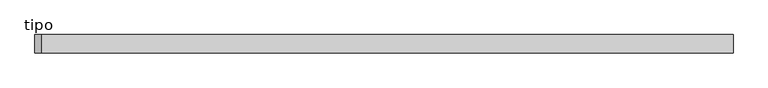
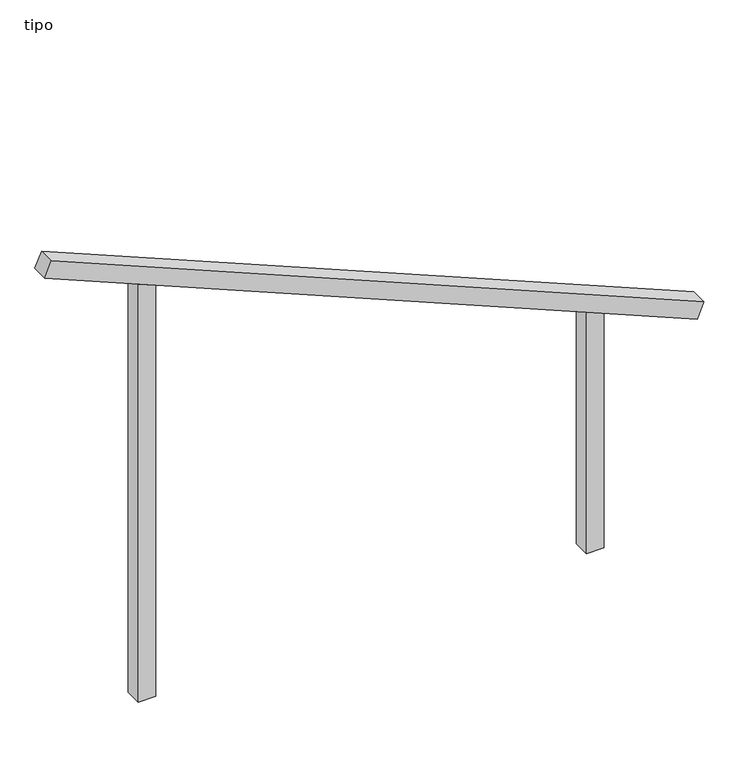
"""IFC4 building model written with IfcOpenShell, lengths in millimetres: proxy geometry, tipo."""

from ifc_helpers import new_model, si_unit, frame, origin, place, context, project, spatial, polyline, outline, extrude, source, transform, mapped, element, save


def tipo_070490de(model_context):
    return source(origin(), model_context, "Body", "SweptSolid", [
        extrude(outline(polyline([(0.0, -4099.9999999), (0.0, 0.0), (100.0, 0.0), (100.0, -4099.9999999), (0.0, -4099.9999999)])), frame((-1892.5413411, -100.0, 2787.9005471), z_axis=(0.3843417303166483, 0.0, 0.923190898101365), x_axis=(0.0, 1.0, 0.0)), (0.0, 0.0, 1.0), 100.0),
        extrude(outline(polyline([(1437.969615, 1350.0), (1479.6014953, 1250.0), (0.0, 1250.0), (0.0, 1350.0), (1437.969615, 1350.0)])), frame((0.0, -100.0, 0.0), z_axis=(0.0, 1.0, 0.0), x_axis=(0.0, 0.0, 1.0)), (0.0, 0.0, 1.0), 100.0),
        extrude(outline(polyline([(2562.030385, -1350.0), (0.0, -1350.0), (0.0, -1250.0), (2520.3985047, -1250.0), (2562.030385, -1350.0)])), frame((0.0, -100.0, 0.0), z_axis=(0.0, 1.0, 0.0), x_axis=(0.0, 0.0, 1.0)), (0.0, 0.0, 1.0), 100.0),
    ])


if __name__ == "__main__":
    model = new_model("IFC4")
    model_context = context("Model", 3, world=origin())
    ifc_project = project(units=[si_unit("LENGTHUNIT", "METRE", prefix="MILLI")], contexts=[model_context])
    site = spatial("IfcSite", under=ifc_project)
    building = spatial("IfcBuilding", under=site)
    placement = place(None, origin())
    tipo_shape = tipo_070490de(model_context)
    element("IfcBuildingElementProxy", 1, Name="tipo", ObjectType="tipo", at=placement, inside=building, context=model_context, shape_type="MappedRepresentation", body=[
        mapped(tipo_shape, transform((0.0, 0.0, 0.0), x_axis=(1.0, 0.0, 0.0), y_axis=(0.0, 1.0, 0.0), z_axis=(0.0, 0.0, 1.0))),
    ])
    save(model, "model.ifc")
